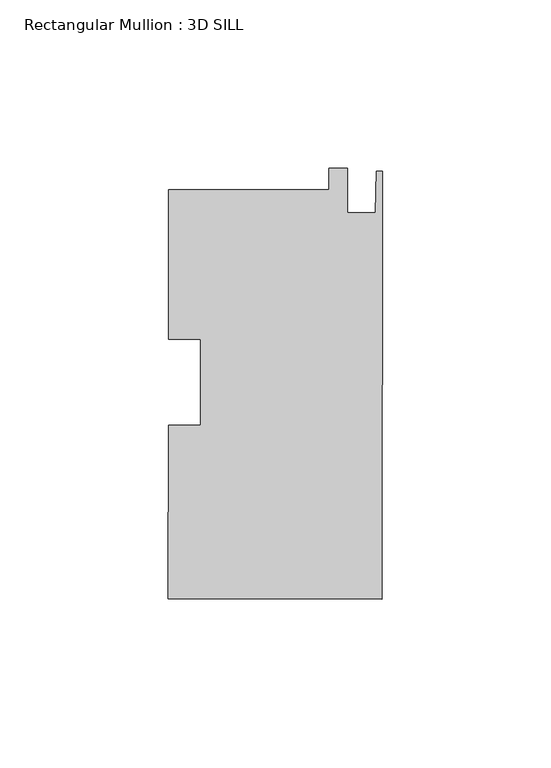
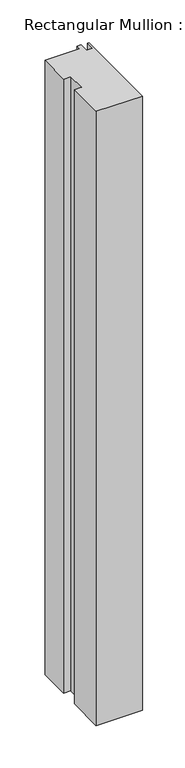
"""IFC4 building model written with IfcOpenShell, lengths in millimetres: member geometry, Rectangular Mullion : 3D SILL."""

from ifc_helpers import new_model, si_unit, frame, origin, place, context, project, spatial, polyline, outline, extrude, source, transform, mapped, element, save


def rectangular_mullion_3d_sill_200511eb(model_context):
    return source(origin(), model_context, "Body", "SweptSolid", [
        extrude(outline(polyline([(-15.8785297, 57.0944487), (-15.8744967, 63.4444474), (-10.3118978, 63.4409144), (-10.3202382, 50.3091171), (-2.0398398, 50.303858), (-1.7779996, 62.6480942), (0.0, 62.6469649), (-0.0806567, -64.3465324), (-63.5806439, -64.306202), (-63.5479185, -12.7802285), (-54.0229204, -12.7862781), (-54.0067326, 12.7014151), (-63.5317306, 12.7074647), (-63.5035201, 57.1246965), (-15.8785297, 57.0944487)])), frame((0.0, 0.0, -885.825), z_axis=(0.0, 0.0, 1.0), x_axis=(1.0, 0.0, 0.0)), (0.0, 0.0, 1.0), 885.825),
    ])


if __name__ == "__main__":
    model = new_model("IFC4")
    model_context = context("Model", 3, world=origin())
    ifc_project = project(units=[si_unit("LENGTHUNIT", "METRE", prefix="MILLI")], contexts=[model_context])
    site = spatial("IfcSite", under=ifc_project)
    building = spatial("IfcBuilding", under=site)
    placement = place(None, origin())
    rectangular_mullion_3d_sill_shape = rectangular_mullion_3d_sill_200511eb(model_context)
    element("IfcMember", 1, ObjectType="Rectangular Mullion : 3D SILL", at=placement, inside=building, context=model_context, shape_type="MappedRepresentation", body=[
        mapped(rectangular_mullion_3d_sill_shape, transform((0.0, 0.0, 0.0), x_axis=(1.0, 0.0, 0.0), y_axis=(0.0, 1.0, 0.0), z_axis=(0.0, 0.0, 1.0))),
    ])
    save(model, "model.ifc")
